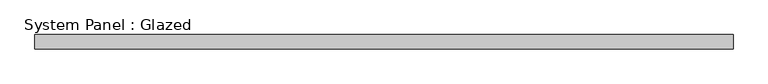
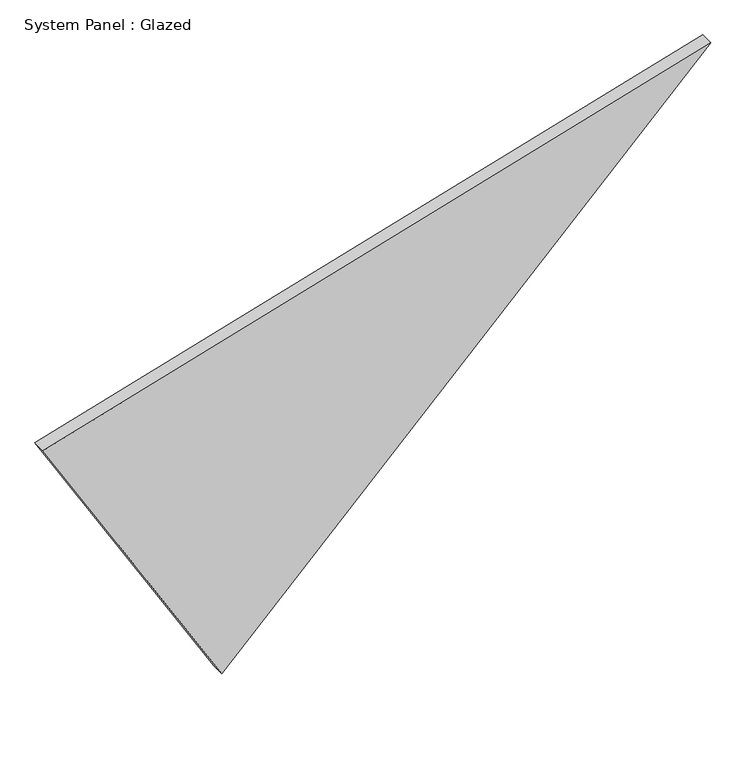
"""IFC4 building model written with IfcOpenShell, lengths in millimetres: plate geometry, System Panel : Glazed."""

from ifc_helpers import new_model, si_unit, frame, origin, place, context, project, spatial, polyline, outline, extrude, source, transform, mapped, element, save


def system_panel_glazed_0524e166(model_context):
    return source(origin(), model_context, "Body", "SweptSolid", [
        extrude(outline(polyline([(648.3564506, -724.959317), (0.0, -336.4948582), (1076.5260105, 724.959317), (648.3564506, -724.959317)])), frame((0.0, -36.8101563, 0.0), z_axis=(0.0, 1.0, 0.0), x_axis=(0.0, 0.0, 1.0)), (0.0, 0.0, 1.0), 30.1625),
    ])


if __name__ == "__main__":
    model = new_model("IFC4")
    model_context = context("Model", 3, world=origin())
    ifc_project = project(units=[si_unit("LENGTHUNIT", "METRE", prefix="MILLI")], contexts=[model_context])
    site = spatial("IfcSite", under=ifc_project)
    building = spatial("IfcBuilding", under=site)
    placement = place(None, origin())
    system_panel_glazed_shape = system_panel_glazed_0524e166(model_context)
    element("IfcPlate", 1, ObjectType="System Panel : Glazed", at=placement, inside=building, context=model_context, shape_type="MappedRepresentation", body=[
        mapped(system_panel_glazed_shape, transform((0.0, 0.0, 0.0), x_axis=(1.0, 0.0, 0.0), y_axis=(0.0, 1.0, 0.0), z_axis=(0.0, 0.0, 1.0))),
    ])
    save(model, "model.ifc")
